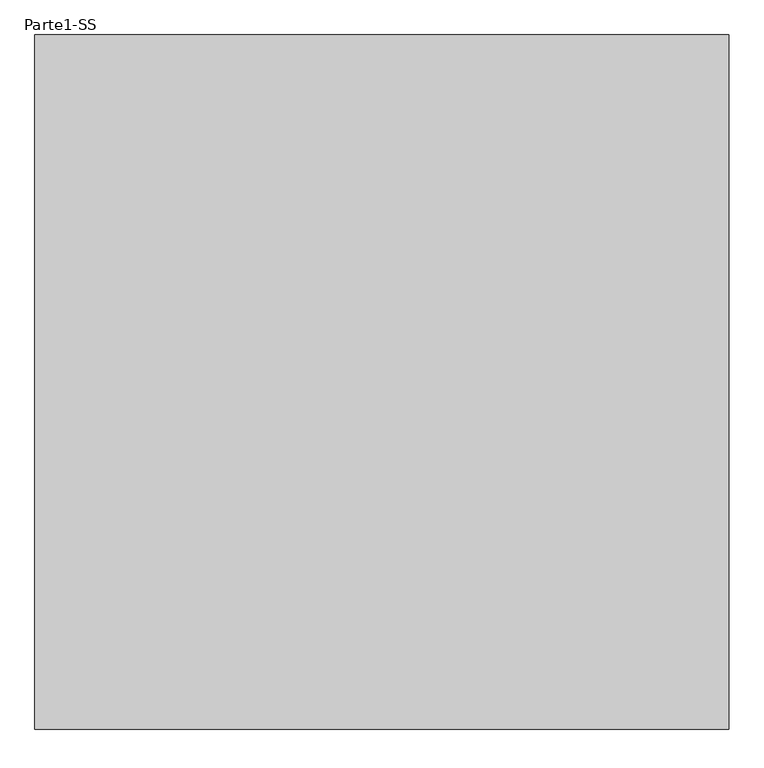
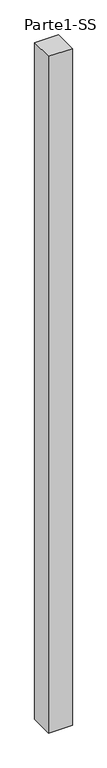
"""IFC4 building model written with IfcOpenShell, lengths in millimetres: proxy geometry, Parte1-SS."""

from ifc_helpers import new_model, si_unit, frame, origin, place, context, project, spatial, polyline, outline, extrude, source, transform, mapped, element, save


def parte1_ss_894d3b80(model_context):
    return source(origin(), model_context, "Body", "SweptSolid", [
        extrude(outline(polyline([(4000.0, 4000.0), (4000.0, 0.0), (0.0, 0.0), (0.0, 4000.0), (4000.0, 4000.0)])), frame((0.0, 0.0, 25000.0), z_axis=(0.0, 0.0, 1.0), x_axis=(1.0, 0.0, 0.0)), (0.0, 0.0, 1.0), 120000.0),
    ])


if __name__ == "__main__":
    model = new_model("IFC4")
    model_context = context("Model", 3, world=origin())
    ifc_project = project(units=[si_unit("LENGTHUNIT", "METRE", prefix="MILLI")], contexts=[model_context])
    site = spatial("IfcSite", under=ifc_project)
    building = spatial("IfcBuilding", under=site)
    placement = place(None, origin())
    parte1_ss_shape = parte1_ss_894d3b80(model_context)
    element("IfcBuildingElementProxy", 1, Name="Parte1-SS", ObjectType="Parte1-SS", at=placement, inside=building, context=model_context, shape_type="MappedRepresentation", body=[
        mapped(parte1_ss_shape, transform((0.0, 0.0, 0.0), x_axis=(1.0, 0.0, 0.0), y_axis=(0.0, 1.0, 0.0), z_axis=(0.0, 0.0, 1.0))),
    ])
    save(model, "model.ifc")
